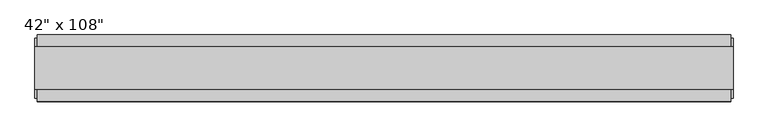
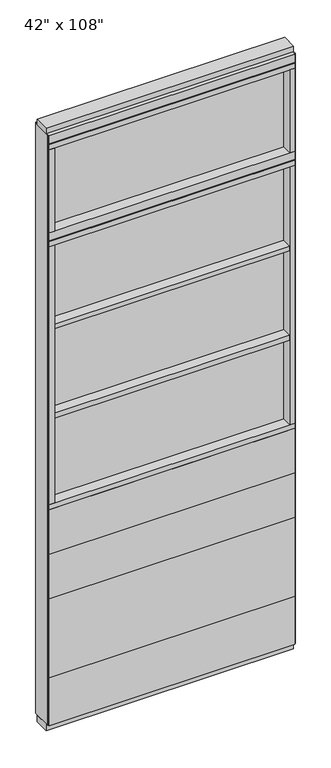
"""IFC4 building model written with IfcOpenShell, lengths in millimetres: furniture geometry."""

from ifc_helpers import new_model, si_unit, frame, origin, origin_with_axes, place, context, project, spatial, polyline, outline, extrude, source, transform, mapped, element, save


def furniture_1a24f5d1(model_context):
    return source(origin(), model_context, "Body", "SweptSolid", [
        extrude(outline(polyline([(469.4264771, 46.2822784), (469.4264771, 33.5822784), (-589.4995229, 33.5822784), (-589.4995229, 46.2822784), (469.4264771, 46.2822784)])), frame((0.0, 0.0, 812.8), z_axis=(0.0, 0.0, 1.0), x_axis=(1.0, 0.0, 0.0)), (0.0, 0.0, 1.0), 203.2),
        extrude(outline(polyline([(469.4264771, 46.2822784), (469.4264771, 33.5822784), (-589.4995229, 33.5822784), (-589.4995229, 46.2822784), (469.4264771, 46.2822784)])), frame((0.0, 0.0, 609.6), z_axis=(0.0, 0.0, 1.0), x_axis=(1.0, 0.0, 0.0)), (0.0, 0.0, 1.0), 203.2),
        extrude(outline(polyline([(469.4264771, 46.2822784), (469.4264771, 33.5822784), (-589.4995229, 33.5822784), (-589.4995229, 46.2822784), (469.4264771, 46.2822784)])), frame((0.0, 0.0, 249.936), z_axis=(0.0, 0.0, 1.0), x_axis=(1.0, 0.0, 0.0)), (0.0, 0.0, 1.0), 359.664),
        extrude(outline(polyline([(469.4264771, -55.3177216), (-589.4995229, -55.3177216), (-589.4995229, -42.6177216), (469.4264771, -42.6177216), (469.4264771, -55.3177216)])), frame((0.0, 0.0, 812.8), z_axis=(0.0, 0.0, 1.0), x_axis=(1.0, 0.0, 0.0)), (0.0, 0.0, 1.0), 203.2),
        extrude(outline(polyline([(469.4264771, -55.3177216), (-589.4995229, -55.3177216), (-589.4995229, -42.6177216), (469.4264771, -42.6177216), (469.4264771, -55.3177216)])), frame((0.0, 0.0, 609.6), z_axis=(0.0, 0.0, 1.0), x_axis=(1.0, 0.0, 0.0)), (0.0, 0.0, 1.0), 203.2),
        extrude(outline(polyline([(469.4264771, -55.3177216), (-589.4995229, -55.3177216), (-589.4995229, -42.6177216), (469.4264771, -42.6177216), (469.4264771, -55.3177216)])), frame((0.0, 0.0, 249.936), z_axis=(0.0, 0.0, 1.0), x_axis=(1.0, 0.0, 0.0)), (0.0, 0.0, 1.0), 359.664),
        extrude(outline(polyline([(-567.2745229, -52.3332216), (-567.2745229, 43.2977784), (447.2014771, 43.2977784), (447.2014771, -52.3332216), (-567.2745229, -52.3332216)])), frame((0.0, 0.0, 1828.8), z_axis=(0.0, 0.0, 1.0), x_axis=(1.0, 0.0, 0.0)), (0.0, 0.0, 1.0), 22.225),
        extrude(outline(polyline([(-567.2745229, -52.3332216), (-567.2745229, 43.2977784), (447.2014771, 43.2977784), (447.2014771, -52.3332216), (-567.2745229, -52.3332216)])), frame((0.0, 0.0, 1422.4), z_axis=(0.0, 0.0, 1.0), x_axis=(1.0, 0.0, 0.0)), (0.0, 0.0, 1.0), 22.225),
        extrude(outline(polyline([(447.2014771, -9.5977216), (-567.2745229, -9.5977216), (-567.2745229, 0.5622784), (447.2014771, 0.5622784), (447.2014771, -9.5977216)])), frame((0.0, 0.0, 1038.225), z_axis=(0.0, 0.0, 1.0), x_axis=(1.0, 0.0, 0.0)), (0.0, 0.0, 1.0), 1177.925),
        extrude(outline(polyline([(469.4264771, 46.2822784), (469.4264771, 33.5822784), (-589.4995229, 33.5822784), (-589.4995229, 46.2822784), (469.4264771, 46.2822784)])), frame((0.0, 0.0, 31.75), z_axis=(0.0, 0.0, 1.0), x_axis=(1.0, 0.0, 0.0)), (0.0, 0.0, 1.0), 218.186),
        extrude(outline(polyline([(469.4264771, -55.3177216), (-589.4995229, -55.3177216), (-589.4995229, -42.6177216), (469.4264771, -42.6177216), (469.4264771, -55.3177216)])), frame((0.0, 0.0, 31.75), z_axis=(0.0, 0.0, 1.0), x_axis=(1.0, 0.0, 0.0)), (0.0, 0.0, 1.0), 218.186),
        extrude(outline(polyline([(447.2014771, -9.5977216), (-567.2745229, -9.5977216), (-567.2745229, 0.5622784), (447.2014771, 0.5622784), (447.2014771, -9.5977216)])), frame((0.0, 0.0, 2276.475), z_axis=(0.0, 0.0, 1.0), x_axis=(1.0, 0.0, 0.0)), (0.0, 0.0, 1.0), 377.825),
        extrude(outline(polyline([(447.2014771, -55.3177216), (447.2014771, 46.2822784), (469.4264771, 46.2822784), (469.4264771, -55.3177216), (447.2014771, -55.3177216)])), frame((0.0, 0.0, 2276.475), z_axis=(0.0, 0.0, 1.0), x_axis=(1.0, 0.0, 0.0)), (0.0, 0.0, 1.0), 377.825),
        extrude(outline(polyline([(-567.2745229, -55.3177216), (-589.4995229, -55.3177216), (-589.4995229, 46.2822784), (-567.2745229, 46.2822784), (-567.2745229, -55.3177216)])), frame((0.0, 0.0, 2276.475), z_axis=(0.0, 0.0, 1.0), x_axis=(1.0, 0.0, 0.0)), (0.0, 0.0, 1.0), 377.825),
        extrude(outline(polyline([(469.4264771, 46.2822784), (469.4264771, -55.3177216), (-589.4995229, -55.3177216), (-589.4995229, 46.2822784), (469.4264771, 46.2822784)])), frame((0.0, 0.0, 2212.975), z_axis=(0.0, 0.0, 1.0), x_axis=(1.0, 0.0, 0.0)), (0.0, 0.0, 1.0), 22.225),
        extrude(outline(polyline([(-55.3177216, 2240.153), (-55.3177216, 2276.475), (46.2822784, 2276.475), (46.2822784, 2240.153), (41.3292784, 2240.153), (41.3292784, 2235.2), (-50.3647216, 2235.2), (-50.3647216, 2240.153), (-55.3177216, 2240.153)])), frame((-589.4995229, 0.0, 0.0), z_axis=(1.0, 0.0, 0.0), x_axis=(0.0, 1.0, 0.0)), (0.0, 0.0, 1.0), 1058.926),
        extrude(outline(polyline([(447.2014771, -55.3177216), (447.2014771, 46.2822784), (469.4264771, 46.2822784), (469.4264771, -55.3177216), (447.2014771, -55.3177216)])), frame((0.0, 0.0, 1038.225), z_axis=(0.0, 0.0, 1.0), x_axis=(1.0, 0.0, 0.0)), (0.0, 0.0, 1.0), 1174.75),
        extrude(outline(polyline([(-589.4995229, -55.3177216), (-589.4995229, 46.2822784), (469.4264771, 46.2822784), (469.4264771, -55.3177216), (-589.4995229, -55.3177216)])), frame((0.0, 0.0, 1016.0), z_axis=(0.0, 0.0, 1.0), x_axis=(1.0, 0.0, 0.0)), (0.0, 0.0, 1.0), 22.225),
        extrude(outline(polyline([(-567.2745229, -55.3177216), (-589.4995229, -55.3177216), (-589.4995229, 46.2822784), (-567.2745229, 46.2822784), (-567.2745229, -55.3177216)])), frame((0.0, 0.0, 1038.225), z_axis=(0.0, 0.0, 1.0), x_axis=(1.0, 0.0, 0.0)), (0.0, 0.0, 1.0), 1174.75),
        extrude(outline(polyline([(473.3634771, 27.9942784), (473.3634771, -37.0297216), (-593.4365229, -37.0297216), (-593.4365229, 27.9942784), (473.3634771, 27.9942784)])), origin_with_axes(), (0.0, 0.0, 1.0), 31.75),
        extrude(outline(polyline([(-593.4365229, -37.0297216), (-593.4365229, 27.9942784), (473.3634771, 27.9942784), (473.3634771, -37.0297216), (-593.4365229, -37.0297216)])), frame((0.0, 0.0, 2717.8), z_axis=(0.0, 0.0, 1.0), x_axis=(1.0, 0.0, 0.0)), (0.0, 0.0, 1.0), 25.4),
        extrude(outline(polyline([(-55.3177216, 2681.478), (-55.3177216, 2717.8), (46.2822784, 2717.8), (46.2822784, 2681.478), (41.3292784, 2681.478), (41.3292784, 2676.525), (-50.3647216, 2676.525), (-50.3647216, 2681.478), (-55.3177216, 2681.478)])), frame((-589.4995229, 0.0, 0.0), z_axis=(1.0, 0.0, 0.0), x_axis=(0.0, 1.0, 0.0)), (0.0, 0.0, 1.0), 1058.926),
        extrude(outline(polyline([(469.4264771, 46.2822784), (469.4264771, -55.3177216), (-589.4995229, -55.3177216), (-589.4995229, 46.2822784), (469.4264771, 46.2822784)])), frame((0.0, 0.0, 2654.3), z_axis=(0.0, 0.0, 1.0), x_axis=(1.0, 0.0, 0.0)), (0.0, 0.0, 1.0), 22.225),
        extrude(outline(polyline([(473.3634771, -50.3647216), (469.4264771, -50.3647216), (469.4264771, 41.3292784), (473.3634771, 41.3292784), (473.3634771, -50.3647216)])), frame((0.0, 0.0, 31.75), z_axis=(0.0, 0.0, 1.0), x_axis=(1.0, 0.0, 0.0)), (0.0, 0.0, 1.0), 2686.05),
        extrude(outline(polyline([(-593.4365229, -50.3647216), (-593.4365229, 41.3292784), (-589.4995229, 41.3292784), (-589.4995229, -50.3647216), (-593.4365229, -50.3647216)])), frame((0.0, 0.0, 31.75), z_axis=(0.0, 0.0, 1.0), x_axis=(1.0, 0.0, 0.0)), (0.0, 0.0, 1.0), 2686.05),
    ])


if __name__ == "__main__":
    model = new_model("IFC4")
    model_context = context("Model", 3, world=origin())
    ifc_project = project(units=[si_unit("LENGTHUNIT", "METRE", prefix="MILLI")], contexts=[model_context])
    site = spatial("IfcSite", under=ifc_project)
    building = spatial("IfcBuilding", under=site)
    placement = place(None, origin())
    furniture_shape = furniture_1a24f5d1(model_context)
    element("IfcFurniture", 1, ObjectType="42\" x 108\"", at=placement, inside=building, context=model_context, shape_type="MappedRepresentation", body=[
        mapped(furniture_shape, transform((0.0, 0.0, 0.0), x_axis=(1.0, 0.0, 0.0), y_axis=(0.0, 1.0, 0.0), z_axis=(0.0, 0.0, 1.0))),
    ])
    save(model, "model.ifc")
